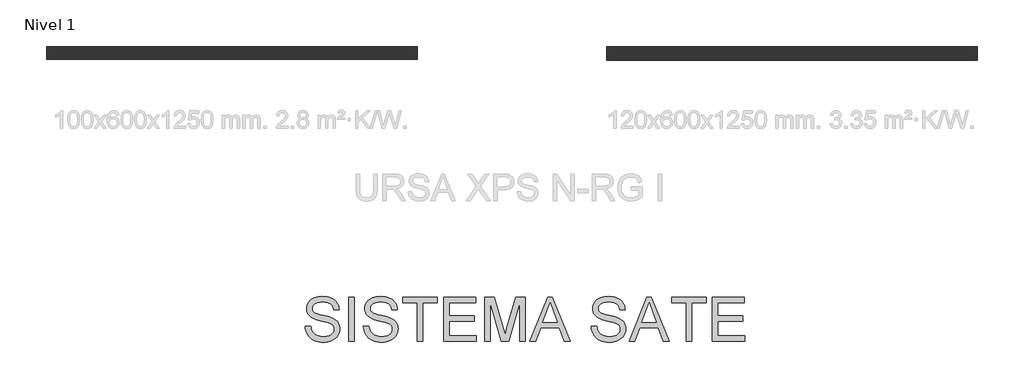
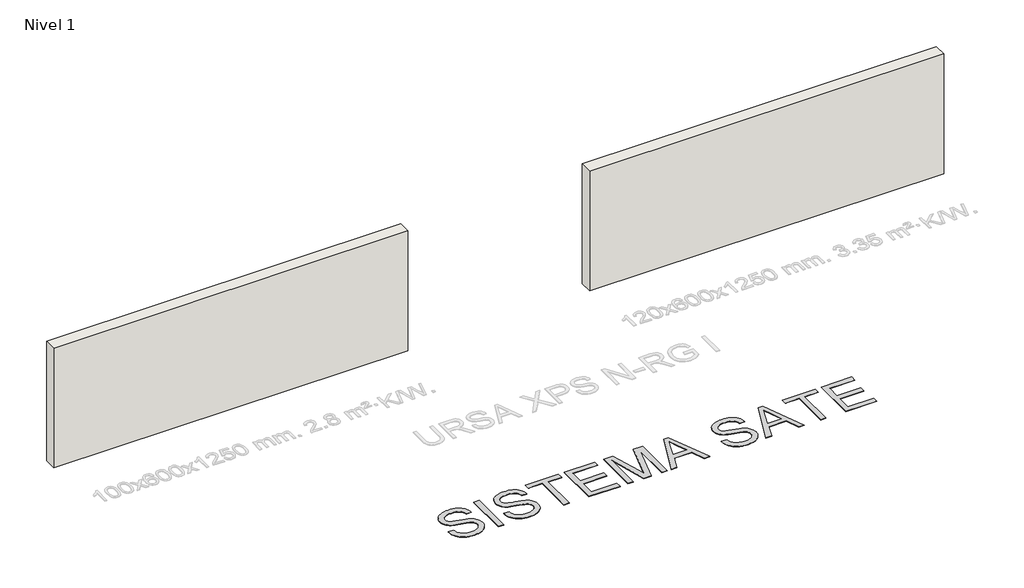
# One storey, part 1 of 4: 2 walls, 1 proxy.
"""IFC4 building model written with IfcOpenShell, lengths in millimetres."""

from ifc_helpers import new_model, si_unit, origin, origin_with_axes, place, context, project, spatial, polyline, outline, extrude, element, save

model = new_model("IFC4")

# Units and contexts
model_context = context("Model", 3, world=origin())
ifc_project = project(units=[si_unit("LENGTHUNIT", "METRE", prefix="MILLI")], contexts=[model_context])

# Site, building, storey
site = spatial("IfcSite", under=ifc_project)
building = spatial("IfcBuilding", under=site)
storey = spatial("IfcBuildingStorey", under=building, Name="Nivel 1", Elevation=0.0)

# Proxy
placement = place(None, origin())
element("IfcBuildingElementProxy", 1, Name="Texto de modelo 2", ObjectType="Texto de modelo 2", at=placement, inside=storey, context=model_context, shape_type="SweptSolid", body=[
    extrude(outline(polyline([(-20291.5628147, -17271.0062376), (-20165.992427, -17271.0062376), (-20160.2442709, -17307.5568466), (-20151.5837156, -17340.6892188), (-20140.0107611, -17370.4033541), (-20125.5254076, -17396.6992526), (-20107.3918909, -17420.1057445), (-20084.8744471, -17441.1516603), (-20057.9730762, -17459.837), (-20026.6877782, -17476.1617635), (-19992.1681843, -17489.4131796), (-19955.5639258, -17498.8784767), (-19916.8750026, -17504.557655), (-19876.1014148, -17506.4507145), (-19806.1425221, -17500.7178867), (-19774.4280284, -17493.551852), (-19744.8901699, -17483.5194034), (-19718.2570463, -17470.9807588), (-19695.2567574, -17456.2961358), (-19675.8893032, -17439.4655345), (-19660.1546837, -17420.4889549), (-19647.9762568, -17400.1864673), (-19639.2773805, -17379.378142), (-19634.0580546, -17358.0639789), (-19632.3182794, -17336.243978), (-19637.529941, -17294.2134601), (-19653.1649258, -17257.8851131), (-19666.3167071, -17241.7672831), (-19684.9254047, -17226.891055), (-19708.9910185, -17213.2564285), (-19738.5135487, -17200.8634038), (-19804.8242783, -17181.1510602), (-19921.3509003, -17152.9161171), (-20041.3724012, -17121.186295), (-20085.1733512, -17105.8961996), (-20118.1677677, -17090.9893146), (-20151.6986787, -17070.9857311), (-20180.67705, -17048.7441988), (-20205.1028817, -17024.2647177), (-20224.9761736, -16997.5472878), (-20240.3735679, -16968.8678206), (-20251.3717068, -16938.5022276), (-20257.97059, -16906.4505088), (-20260.1702178, -16872.7126641), (-20257.4494239, -16835.3189921), (-20249.2870421, -16799.1669219), (-20235.6830725, -16764.2564534), (-20216.637515, -16730.5875866), (-20192.3649676, -16699.5322149), (-20163.0800279, -16672.4622314), (-20128.7826961, -16649.3776362), (-20089.472972, -16630.2784293), (-20046.4767639, -16615.3102306), (-20001.1199795, -16604.6186601), (-19953.4026191, -16598.2037178), (-19903.3246825, -16596.0654037), (-19848.6942062, -16598.3033525), (-19797.3746679, -16605.017199), (-19749.3660675, -16616.206943), (-19704.6684051, -16631.8725846), (-19664.1094151, -16651.8761681), (-19628.5168321, -16676.0797377), (-19597.890656, -16704.4832934), (-19572.2308868, -16737.0868352), (-19551.736794, -16772.9400013), (-19536.607647, -16811.0924299), (-19526.8434457, -16851.544121), (-19522.4441902, -16894.2950745), (-19648.0145778, -16894.2950745), (-19656.4145501, -16854.2265939), (-19671.0685162, -16819.3697748), (-19691.9764763, -16789.7246174), (-19719.1384302, -16765.2911215), (-19753.0602159, -16746.1919146), (-19794.2476709, -16732.5496239), (-19842.7007954, -16724.3642496), (-19898.4195892, -16721.6357914), (-19955.9164794, -16724.3335927), (-20005.0440542, -16732.4269966), (-20045.8023135, -16745.9160031), (-20078.1912575, -16764.8006122), (-20102.870008, -16787.501997), (-20120.497687, -16812.4413306), (-20131.0742943, -16839.618613), (-20134.5998301, -16869.0338442), (-20132.1012982, -16894.3410597), (-20124.6057026, -16917.2876992), (-20112.1130432, -16937.8737625), (-20094.62332, -16956.0992497), (-20067.093484, -16973.3590466), (-20023.7447222, -16990.8027846), (-19964.5770347, -17008.4304635), (-19889.5904213, -17026.2420834), (-19751.1441638, -17059.903286), (-19702.4304563, -17075.1244035), (-19667.3896962, -17089.2725319), (-19628.8923783, -17110.7169866), (-19595.8059914, -17134.8285857), (-19568.1305354, -17161.6073292), (-19545.8660105, -17191.0532173), (-19528.7518335, -17223.0129656), (-19516.5274214, -17257.3332901), (-19509.1927741, -17294.0141907), (-19506.7478917, -17333.0556674), (-19509.5606561, -17372.3347346), (-19517.9989494, -17410.4641706), (-19532.0627715, -17447.4439753), (-19551.7521224, -17483.2741488), (-19576.7221129, -17516.5674693), (-19606.6278534, -17545.9367153), (-19641.469344, -17571.3818866), (-19681.2465847, -17592.9029833), (-19724.8022801, -17610.0171603), (-19770.9791347, -17622.2415725), (-19819.7771485, -17629.5762197), (-19871.1963216, -17632.0211022), (-19935.4300508, -17629.3846145), (-19994.2221921, -17621.4751516), (-20047.5727456, -17608.2927135), (-20095.4817113, -17589.8373), (-20138.240329, -17566.0782545), (-20176.1398387, -17536.9849201), (-20209.1802404, -17502.5572967), (-20237.3615341, -17462.7953844), (-20260.0629189, -17418.9867701), (-20276.6635939, -17372.4190409), (-20287.1635592, -17323.0921967), (-20291.5628147, -17271.0062376)])), origin_with_axes(), (0.0, 0.0, 1.0), 10.0),
    extrude(outline(polyline([(-19302.6960117, -17616.3248037), (-19302.6960117, -16611.7617022), (-19177.125624, -16611.7617022), (-19177.125624, -17616.3248037), (-19302.6960117, -17616.3248037)])), origin_with_axes(), (0.0, 0.0, 1.0), 10.0),
    extrude(outline(polyline([(-18973.073744, -17271.0062376), (-18847.5033563, -17271.0062376), (-18841.7552002, -17307.5568466), (-18833.0946449, -17340.6892188), (-18821.5216904, -17370.4033541), (-18807.0363369, -17396.6992526), (-18788.9028202, -17420.1057445), (-18766.3853764, -17441.1516603), (-18739.4840055, -17459.837), (-18708.1987075, -17476.1617635), (-18673.6791136, -17489.4131796), (-18637.0748551, -17498.8784767), (-18598.3859319, -17504.557655), (-18557.6123441, -17506.4507145), (-18487.6534514, -17500.7178867), (-18455.9389577, -17493.551852), (-18426.4010992, -17483.5194034), (-18399.7679756, -17470.9807588), (-18376.7676867, -17456.2961358), (-18357.4002325, -17439.4655345), (-18341.665613, -17420.4889549), (-18329.4871861, -17400.1864673), (-18320.7883097, -17379.378142), (-18315.5689839, -17358.0639789), (-18313.8292087, -17336.243978), (-18319.0408703, -17294.2134601), (-18334.6758551, -17257.8851131), (-18347.8276364, -17241.7672831), (-18366.436334, -17226.891055), (-18390.5019478, -17213.2564285), (-18420.0244779, -17200.8634038), (-18486.3352076, -17181.1510602), (-18602.8618295, -17152.9161171), (-18722.8833305, -17121.186295), (-18766.6842805, -17105.8961996), (-18799.678697, -17090.9893146), (-18833.209608, -17070.9857311), (-18862.1879793, -17048.7441988), (-18886.6138109, -17024.2647177), (-18906.4871029, -16997.5472878), (-18921.8844972, -16968.8678206), (-18932.882636, -16938.5022276), (-18939.4815193, -16906.4505088), (-18941.6811471, -16872.7126641), (-18938.9603532, -16835.3189921), (-18930.7979714, -16799.1669219), (-18917.1940018, -16764.2564534), (-18898.1484443, -16730.5875866), (-18873.8758969, -16699.5322149), (-18844.5909572, -16672.4622314), (-18810.2936254, -16649.3776362), (-18770.9839013, -16630.2784293), (-18727.9876931, -16615.3102306), (-18682.6309088, -16604.6186601), (-18634.9135484, -16598.2037178), (-18584.8356118, -16596.0654037), (-18530.2051355, -16598.3033525), (-18478.8855972, -16605.017199), (-18430.8769968, -16616.206943), (-18386.1793344, -16631.8725846), (-18345.6203444, -16651.8761681), (-18310.0277614, -16676.0797377), (-18279.4015853, -16704.4832934), (-18253.7418161, -16737.0868352), (-18233.2477233, -16772.9400013), (-18218.1185763, -16811.0924299), (-18208.354375, -16851.544121), (-18203.9551194, -16894.2950745), (-18329.5255071, -16894.2950745), (-18337.9254793, -16854.2265939), (-18352.5794455, -16819.3697748), (-18373.4874055, -16789.7246174), (-18400.6493595, -16765.2911215), (-18434.5711452, -16746.1919146), (-18475.7586002, -16732.5496239), (-18524.2117247, -16724.3642496), (-18579.9305185, -16721.6357914), (-18637.4274087, -16724.3335927), (-18686.5549834, -16732.4269966), (-18727.3132428, -16745.9160031), (-18759.7021868, -16764.8006122), (-18784.3809373, -16787.501997), (-18802.0086163, -16812.4413306), (-18812.5852236, -16839.618613), (-18816.1107594, -16869.0338442), (-18813.6122275, -16894.3410597), (-18806.1166319, -16917.2876992), (-18793.6239725, -16937.8737625), (-18776.1342493, -16956.0992497), (-18748.6044133, -16973.3590466), (-18705.2556515, -16990.8027846), (-18646.087964, -17008.4304635), (-18571.1013506, -17026.2420834), (-18432.6550931, -17059.903286), (-18383.9413856, -17075.1244035), (-18348.9006255, -17089.2725319), (-18310.4033076, -17110.7169866), (-18277.3169206, -17134.8285857), (-18249.6414647, -17161.6073292), (-18227.3769398, -17191.0532173), (-18210.2627628, -17223.0129656), (-18198.0383507, -17257.3332901), (-18190.7037034, -17294.0141907), (-18188.258821, -17333.0556674), (-18191.0715854, -17372.3347346), (-18199.5098787, -17410.4641706), (-18213.5737008, -17447.4439753), (-18233.2630517, -17483.2741488), (-18258.2330421, -17516.5674693), (-18288.1387827, -17545.9367153), (-18322.9802733, -17571.3818866), (-18362.757514, -17592.9029833), (-18406.3132094, -17610.0171603), (-18452.490064, -17622.2415725), (-18501.2880778, -17629.5762197), (-18552.7072509, -17632.0211022), (-18616.9409801, -17629.3846145), (-18675.7331214, -17621.4751516), (-18729.0836749, -17608.2927135), (-18776.9926406, -17589.8373), (-18819.7512583, -17566.0782545), (-18857.650768, -17536.9849201), (-18890.6911697, -17502.5572967), (-18918.8724634, -17462.7953844), (-18941.5738482, -17418.9867701), (-18958.1745232, -17372.4190409), (-18968.6744885, -17323.0921967), (-18973.073744, -17271.0062376)])), origin_with_axes(), (0.0, 0.0, 1.0), 10.0),
    extrude(outline(polyline([(-17748.7624641, -17616.3248037), (-17748.7624641, -16737.3320899), (-18078.3847317, -16737.3320899), (-18078.3847317, -16611.7617022), (-17293.5698087, -16611.7617022), (-17293.5698087, -16737.3320899), (-17623.1920764, -16737.3320899), (-17623.1920764, -17616.3248037), (-17748.7624641, -17616.3248037)])), origin_with_axes(), (0.0, 0.0, 1.0), 10.0),
    extrude(outline(polyline([(-17152.3031226, -17616.3248037), (-17152.3031226, -16611.7617022), (-16430.2733934, -16611.7617022), (-16430.2733934, -16737.3320899), (-17026.7327349, -16737.3320899), (-17026.7327349, -17035.5617606), (-16461.6659903, -17035.5617606), (-16461.6659903, -17161.1321483), (-17026.7327349, -17161.1321483), (-17026.7327349, -17490.754416), (-16414.5770949, -17490.754416), (-16414.5770949, -17616.3248037), (-17152.3031226, -17616.3248037)])), origin_with_axes(), (0.0, 0.0, 1.0), 10.0),
    extrude(outline(polyline([(-16226.2215134, -17616.3248037), (-16226.2215134, -16611.7617022), (-16010.1521549, -16611.7617022), (-15804.6287469, -17319.8119156), (-15763.1807088, -17467.7004776), (-15718.2991054, -17307.5491824), (-15516.2092627, -16611.7617022), (-15300.1399042, -16611.7617022), (-15300.1399042, -17616.3248037), (-15425.7102919, -17616.3248037), (-15425.7102919, -16737.3320899), (-15678.0773406, -17616.3248037), (-15848.284077, -17616.3248037), (-16100.6511257, -16737.3320899), (-16100.6511257, -17616.3248037), (-16226.2215134, -17616.3248037)])), origin_with_axes(), (0.0, 0.0, 1.0), 10.0),
    extrude(outline(polyline([(-15197.3782002, -17616.3248037), (-14796.3868254, -16611.7617022), (-14689.4557922, -16611.7617022), (-14288.4644174, -17616.3248037), (-14421.1471904, -17616.3248037), (-14536.1716275, -17302.3988345), (-14949.9162448, -17302.3988345), (-15064.6954273, -17616.3248037), (-15197.3782002, -17616.3248037)]), holes=[polyline([(-14903.808368, -17176.8284468), (-14582.0342496, -17176.8284468), (-14672.5332204, -16929.8570007), (-14742.9213088, -16737.3320899), (-14805.461248, -16908.2745903), (-14903.808368, -17176.8284468)])]), origin_with_axes(), (0.0, 0.0, 1.0), 10.0),
    extrude(outline(polyline([(-13808.9915504, -17271.0062376), (-13683.4211627, -17271.0062376), (-13677.6730065, -17307.5568466), (-13669.0124512, -17340.6892188), (-13657.4394968, -17370.4033541), (-13642.9541432, -17396.6992526), (-13624.8206266, -17420.1057445), (-13602.3031828, -17441.1516603), (-13575.4018119, -17459.837), (-13544.1165139, -17476.1617635), (-13509.59692, -17489.4131796), (-13472.9926615, -17498.8784767), (-13434.3037383, -17504.557655), (-13393.5301505, -17506.4507145), (-13323.5712578, -17500.7178867), (-13291.8567641, -17493.551852), (-13262.3189056, -17483.5194034), (-13235.6857819, -17470.9807588), (-13212.685493, -17456.2961358), (-13193.3180388, -17439.4655345), (-13177.5834193, -17420.4889549), (-13165.4049925, -17400.1864673), (-13156.7061161, -17379.378142), (-13151.4867903, -17358.0639789), (-13149.747015, -17336.243978), (-13154.9586766, -17294.2134601), (-13170.5936614, -17257.8851131), (-13183.7454428, -17241.7672831), (-13202.3541403, -17226.891055), (-13226.4197542, -17213.2564285), (-13255.9422843, -17200.8634038), (-13322.2530139, -17181.1510602), (-13438.7796359, -17152.9161171), (-13558.8011368, -17121.186295), (-13602.6020869, -17105.8961996), (-13635.5965033, -17090.9893146), (-13669.1274143, -17070.9857311), (-13698.1057857, -17048.7441988), (-13722.5316173, -17024.2647177), (-13742.4049093, -16997.5472878), (-13757.8023036, -16968.8678206), (-13768.8004424, -16938.5022276), (-13775.3993257, -16906.4505088), (-13777.5989535, -16872.7126641), (-13774.8781595, -16835.3189921), (-13766.7157778, -16799.1669219), (-13753.1118082, -16764.2564534), (-13734.0662507, -16730.5875866), (-13709.7937032, -16699.5322149), (-13680.5087636, -16672.4622314), (-13646.2114317, -16649.3776362), (-13606.9017077, -16630.2784293), (-13563.9054995, -16615.3102306), (-13518.5487152, -16604.6186601), (-13470.8313547, -16598.2037178), (-13420.7534181, -16596.0654037), (-13366.1229419, -16598.3033525), (-13314.8034035, -16605.017199), (-13266.7948032, -16616.206943), (-13222.0971408, -16631.8725846), (-13181.5381508, -16651.8761681), (-13145.9455678, -16676.0797377), (-13115.3193917, -16704.4832934), (-13089.6596225, -16737.0868352), (-13069.1655297, -16772.9400013), (-13054.0363826, -16811.0924299), (-13044.2721813, -16851.544121), (-13039.8729258, -16894.2950745), (-13165.4433135, -16894.2950745), (-13173.8432857, -16854.2265939), (-13188.4972519, -16819.3697748), (-13209.4052119, -16789.7246174), (-13236.5671659, -16765.2911215), (-13270.4889515, -16746.1919146), (-13311.6764066, -16732.5496239), (-13360.129531, -16724.3642496), (-13415.8483249, -16721.6357914), (-13473.345215, -16724.3335927), (-13522.4727898, -16732.4269966), (-13563.2310492, -16745.9160031), (-13595.6199932, -16764.8006122), (-13620.2987437, -16787.501997), (-13637.9264226, -16812.4413306), (-13648.50303, -16839.618613), (-13652.0285658, -16869.0338442), (-13649.5300339, -16894.3410597), (-13642.0344382, -16917.2876992), (-13629.5417788, -16937.8737625), (-13612.0520556, -16956.0992497), (-13584.5222197, -16973.3590466), (-13541.1734579, -16990.8027846), (-13482.0057703, -17008.4304635), (-13407.019157, -17026.2420834), (-13268.5728995, -17059.903286), (-13219.8591919, -17075.1244035), (-13184.8184319, -17089.2725319), (-13146.321114, -17110.7169866), (-13113.234727, -17134.8285857), (-13085.5592711, -17161.6073292), (-13063.2947462, -17191.0532173), (-13046.1805692, -17223.0129656), (-13033.9561571, -17257.3332901), (-13026.6215098, -17294.0141907), (-13024.1766273, -17333.0556674), (-13026.9893918, -17372.3347346), (-13035.427685, -17410.4641706), (-13049.4915071, -17447.4439753), (-13069.1808581, -17483.2741488), (-13094.1508485, -17516.5674693), (-13124.056589, -17545.9367153), (-13158.8980797, -17571.3818866), (-13198.6753204, -17592.9029833), (-13242.2310158, -17610.0171603), (-13288.4078704, -17622.2415725), (-13337.2058842, -17629.5762197), (-13388.6250572, -17632.0211022), (-13452.8587864, -17629.3846145), (-13511.6509278, -17621.4751516), (-13565.0014813, -17608.2927135), (-13612.910447, -17589.8373), (-13655.6690647, -17566.0782545), (-13693.5685744, -17536.9849201), (-13726.6089761, -17502.5572967), (-13754.7902698, -17462.7953844), (-13777.4916546, -17418.9867701), (-13794.0923296, -17372.4190409), (-13804.5922949, -17323.0921967), (-13808.9915504, -17271.0062376)])), origin_with_axes(), (0.0, 0.0, 1.0), 10.0),
    extrude(outline(polyline([(-12952.8075203, -17616.3248037), (-12551.8161455, -16611.7617022), (-12444.8851123, -16611.7617022), (-12043.8937375, -17616.3248037), (-12176.5765105, -17616.3248037), (-12291.6009476, -17302.3988345), (-12705.3455649, -17302.3988345), (-12820.1247474, -17616.3248037), (-12952.8075203, -17616.3248037)]), holes=[polyline([(-12659.2376881, -17176.8284468), (-12337.4635697, -17176.8284468), (-12427.9625405, -16929.8570007), (-12498.3506289, -16737.3320899), (-12560.8905681, -16908.2745903), (-12659.2376881, -17176.8284468)])]), origin_with_axes(), (0.0, 0.0, 1.0), 10.0),
    extrude(outline(polyline([(-11658.5986613, -17616.3248037), (-11658.5986613, -16737.3320899), (-11988.2209289, -16737.3320899), (-11988.2209289, -16611.7617022), (-11203.4060059, -16611.7617022), (-11203.4060059, -16737.3320899), (-11533.0282736, -16737.3320899), (-11533.0282736, -17616.3248037), (-11658.5986613, -17616.3248037)])), origin_with_axes(), (0.0, 0.0, 1.0), 10.0),
    extrude(outline(polyline([(-11062.1393197, -17616.3248037), (-11062.1393197, -16611.7617022), (-10340.1095905, -16611.7617022), (-10340.1095905, -16737.3320899), (-10936.5689321, -16737.3320899), (-10936.5689321, -17035.5617606), (-10371.5021875, -17035.5617606), (-10371.5021875, -17161.1321483), (-10936.5689321, -17161.1321483), (-10936.5689321, -17490.754416), (-10324.4132921, -17490.754416), (-10324.4132921, -17616.3248037), (-11062.1393197, -17616.3248037)])), origin_with_axes(), (0.0, 0.0, 1.0), 10.0),
])

# Walls
element("IfcWall", 2, at=placement, inside=storey, context=model_context, shape_type="SweptSolid", body=[
    extrude(outline(polyline([(-17754.7634063, -11220.3248037), (-26154.7634063, -11220.3248037), (-26154.7634063, -10932.3248037), (-17754.7634063, -10932.3248037), (-17754.7634063, -11220.3248037)])), origin_with_axes(), (0.0, 0.0, 1.0), 3000.0),
])
element("IfcWall", 3, at=placement, inside=storey, context=model_context, shape_type="SweptSolid", body=[
    extrude(outline(polyline([(-5054.7634063, -11240.3248037), (-13454.7634063, -11240.3248037), (-13454.7634063, -10932.3248037), (-5054.7634063, -10932.3248037), (-5054.7634063, -11240.3248037)])), origin_with_axes(), (0.0, 0.0, 1.0), 3000.0),
])

save(model, "model.ifc")
